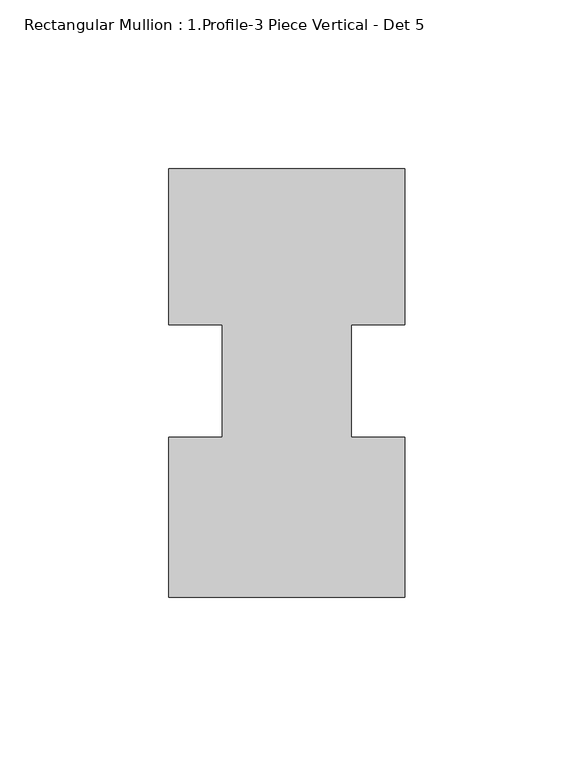
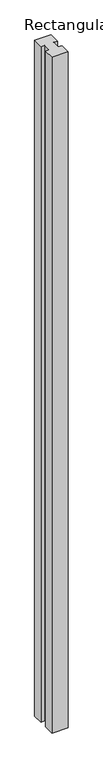
"""IFC4 building model written with IfcOpenShell, lengths in millimetres: member geometry, Rectangular Mullion : 1.Profile-3 Piece Vertical - Det 5."""

from ifc_helpers import new_model, si_unit, frame, origin, place, context, project, spatial, polyline, outline, extrude, source, transform, mapped, element, save


def rectangular_mullion_1_profile_3_piece_vertical_det_5_ff413e13(model_context):
    return source(origin(), model_context, "Body", "SweptSolid", [
        extrude(outline(polyline([(0.0, 63.5), (0.0, 17.31709), (-15.875, 17.31709), (-15.875, -16.0402665), (-6e-07, -16.0402665), (-6e-07, -63.5), (-69.9423164, -63.5), (-69.9423164, -16.0402665), (-54.0673164, -16.0402665), (-54.0673164, 17.31709), (-69.9423164, 17.31709), (-69.9423164, 63.5), (0.0, 63.5)])), frame((0.0, 0.0, -3048.0), z_axis=(0.0, 0.0, 1.0), x_axis=(1.0, 0.0, 0.0)), (0.0, 0.0, 1.0), 3048.0),
    ])


if __name__ == "__main__":
    model = new_model("IFC4")
    model_context = context("Model", 3, world=origin())
    ifc_project = project(units=[si_unit("LENGTHUNIT", "METRE", prefix="MILLI")], contexts=[model_context])
    site = spatial("IfcSite", under=ifc_project)
    building = spatial("IfcBuilding", under=site)
    placement = place(None, origin())
    rectangular_mullion_1_profile_3_piece_vertical_det_5_shape = rectangular_mullion_1_profile_3_piece_vertical_det_5_ff413e13(model_context)
    element("IfcMember", 1, ObjectType="Rectangular Mullion : 1.Profile-3 Piece Vertical - Det 5", at=placement, inside=building, context=model_context, shape_type="MappedRepresentation", body=[
        mapped(rectangular_mullion_1_profile_3_piece_vertical_det_5_shape, transform((0.0, 0.0, 0.0), x_axis=(1.0, 0.0, 0.0), y_axis=(0.0, 1.0, 0.0), z_axis=(0.0, 0.0, 1.0))),
    ])
    save(model, "model.ifc")
